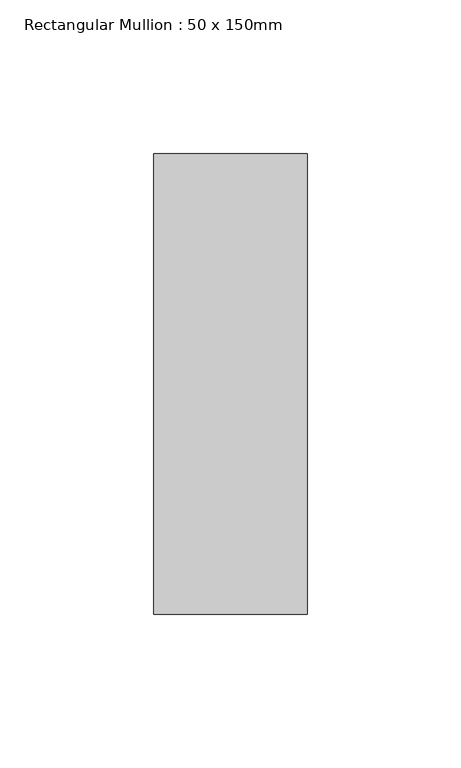
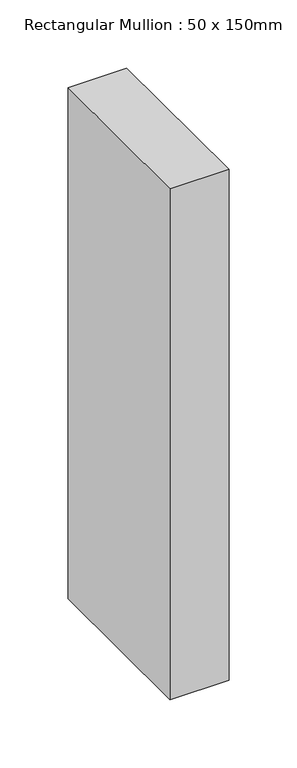
"""IFC4 building model written with IfcOpenShell, lengths in millimetres: member geometry, Rectangular Mullion : 50 x 150mm."""

from ifc_helpers import new_model, si_unit, frame, origin, place, context, project, spatial, polyline, outline, extrude, source, transform, mapped, element, save


def rectangular_mullion_50_x_150mm_8263b738(model_context):
    return source(origin(), model_context, "Body", "SweptSolid", [
        extrude(outline(polyline([(25.0, 75.0), (25.0, -75.0), (-25.0, -75.0), (-25.0, 75.0), (25.0, 75.0)])), frame((0.0, 0.0, -458.370568), z_axis=(0.0, 0.0, 1.0), x_axis=(1.0, 0.0, 0.0)), (0.0, 0.0, 1.0), 458.370568),
    ])


if __name__ == "__main__":
    model = new_model("IFC4")
    model_context = context("Model", 3, world=origin())
    ifc_project = project(units=[si_unit("LENGTHUNIT", "METRE", prefix="MILLI")], contexts=[model_context])
    site = spatial("IfcSite", under=ifc_project)
    building = spatial("IfcBuilding", under=site)
    placement = place(None, origin())
    rectangular_mullion_50_x_150mm_shape = rectangular_mullion_50_x_150mm_8263b738(model_context)
    element("IfcMember", 1, ObjectType="Rectangular Mullion : 50 x 150mm", at=placement, inside=building, context=model_context, shape_type="MappedRepresentation", body=[
        mapped(rectangular_mullion_50_x_150mm_shape, transform((0.0, 0.0, 0.0), x_axis=(1.0, 0.0, 0.0), y_axis=(0.0, 1.0, 0.0), z_axis=(0.0, 0.0, 1.0))),
    ])
    save(model, "model.ifc")
